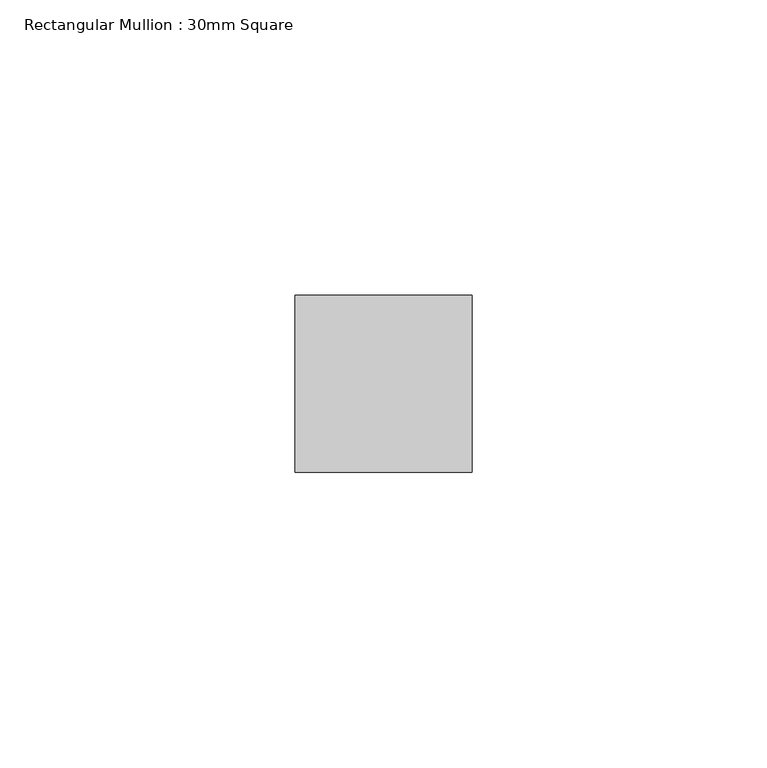
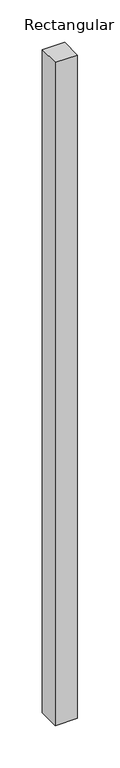
"""IFC4 building model written with IfcOpenShell, lengths in millimetres: member geometry, Rectangular Mullion : 30mm Square."""

from ifc_helpers import new_model, si_unit, frame, origin, place, context, project, spatial, polyline, outline, extrude, source, transform, mapped, element, save


def rectangular_mullion_30mm_square_30df469e(model_context):
    return source(origin(), model_context, "Body", "SweptSolid", [
        extrude(outline(polyline([(0.0, 15.0), (0.0, -15.0), (-30.0, -15.0), (-30.0, 15.0), (0.0, 15.0)])), frame((0.0, 0.0, -953.235469), z_axis=(0.0, 0.0, 1.0), x_axis=(1.0, 0.0, 0.0)), (0.0, 0.0, 1.0), 953.235469),
    ])


if __name__ == "__main__":
    model = new_model("IFC4")
    model_context = context("Model", 3, world=origin())
    ifc_project = project(units=[si_unit("LENGTHUNIT", "METRE", prefix="MILLI")], contexts=[model_context])
    site = spatial("IfcSite", under=ifc_project)
    building = spatial("IfcBuilding", under=site)
    placement = place(None, origin())
    rectangular_mullion_30mm_square_shape = rectangular_mullion_30mm_square_30df469e(model_context)
    element("IfcMember", 1, ObjectType="Rectangular Mullion : 30mm Square", at=placement, inside=building, context=model_context, shape_type="MappedRepresentation", body=[
        mapped(rectangular_mullion_30mm_square_shape, transform((0.0, 0.0, 0.0), x_axis=(1.0, 0.0, 0.0), y_axis=(0.0, 1.0, 0.0), z_axis=(0.0, 0.0, 1.0))),
    ])
    save(model, "model.ifc")
